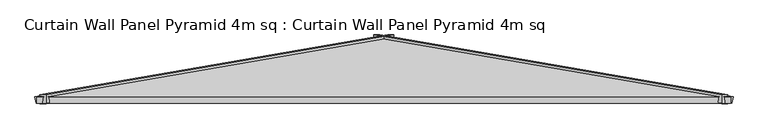
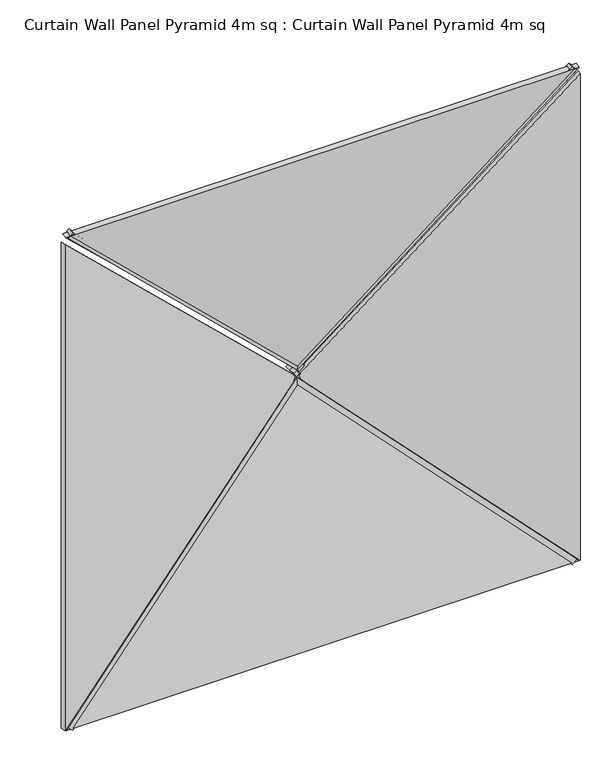
"""IFC4 building model written with IfcOpenShell, lengths in millimetres: plate geometry, Curtain Wall Panel Pyramid 4m sq : Curtain Wall Panel Pyramid 4m sq."""

import ifcopenshell
import ifcopenshell.guid

model = None  # the IFC model being written
_history = None  # IfcOwnerHistory: only IFC2X3 demands one
_inside = {}  # id of a spatial element -> (the spatial element, [elements in it])
_under = {}  # id of a project, library or spatial element -> (it, [spatial elements below it])
_declared = {}  # id of a project -> (the project, [libraries it declares])
_typed = {}  # id of a type object -> (the type object, [elements of that type])
_made_of = {}  # id of a material, layer set ... -> (it, [elements and type objects made of it])


def new_model(schema):
    """Start an empty IFC model of exactly this schema.

    Asked for "IFC4X3", IfcOpenShell would pick the latest addendum, in which some entities
    have other attributes; the version numbers below select the first issue.
    IFC2X3 requires an IfcOwnerHistory on every rooted entity: one is made here for all.
    """
    global model, _history
    if schema == "IFC4X3":
        model = ifcopenshell.file(schema_version=(4, 3, 0, 0))
    else:
        model = ifcopenshell.file(schema=schema)
    _inside.clear()
    _under.clear()
    _declared.clear()
    _typed.clear()
    _made_of.clear()
    _history = None
    if model.schema == "IFC2X3":
        org = make("IfcOrganization", Name="unknown")
        user = make(
            "IfcPersonAndOrganization",
            ThePerson=make("IfcPerson", FamilyName="unknown"),
            TheOrganization=org,
        )
        app = make(
            "IfcApplication",
            ApplicationDeveloper=org,
            Version="unknown",
            ApplicationFullName="unknown",
            ApplicationIdentifier="unknown",
        )
        _history = make(
            "IfcOwnerHistory",
            OwningUser=user,
            OwningApplication=app,
            ChangeAction="ADDED",
            CreationDate=0,
        )
    return model


def make(cls, **values):
    """One entity of the class cls with the attributes given. An attribute that is None is left unset."""
    return model.create_entity(
        cls, **{name: value for name, value in values.items() if value is not None}
    )


def rooted(cls, **values):
    """An entity with a GlobalId (a new one), such as an element, a storey or a relation."""
    return make(cls, GlobalId=ifcopenshell.guid.new(), OwnerHistory=_history, **values)


def si_unit(unit_type, name, prefix=None):
    """IfcSIUnit, for example si_unit("LENGTHUNIT", "METRE", prefix="MILLI")."""
    return make("IfcSIUnit", UnitType=unit_type, Prefix=prefix, Name=name)


def assignment(units):
    """IfcUnitAssignment: the units of a project."""
    return None if units is None else make("IfcUnitAssignment", Units=units)


def point(xyz):
    """IfcCartesianPoint."""
    return None if xyz is None else make("IfcCartesianPoint", Coordinates=xyz)


def direction(xyz):
    """IfcDirection."""
    return None if xyz is None else make("IfcDirection", DirectionRatios=xyz)


def frame(location, z_axis=None, x_axis=None):
    """IfcAxis2Placement3D, a coordinate frame: its origin and axes. An axis left out is left unset."""
    return make(
        "IfcAxis2Placement3D",
        Location=point(location),
        Axis=direction(z_axis),
        RefDirection=direction(x_axis),
    )


def origin():
    """The frame at (0, 0, 0) with its axes left unset."""
    return frame((0.0, 0.0, 0.0))


def place(relative_to, where):
    """IfcLocalPlacement: puts the frame where relative to a parent placement (None: the world)."""
    return make(
        "IfcLocalPlacement", PlacementRelTo=relative_to, RelativePlacement=where
    )


def context(
    kind, dimensions, precision=None, world=None, true_north=None, identifier=None
):
    """IfcGeometricRepresentationContext, for example the 3D "Model" context."""
    return make(
        "IfcGeometricRepresentationContext",
        ContextIdentifier=identifier,
        ContextType=kind,
        CoordinateSpaceDimension=dimensions,
        Precision=precision,
        WorldCoordinateSystem=world,
        TrueNorth=true_north,
    )


def project(units=None, contexts=None):
    """IfcProject with its units and contexts."""
    return rooted(
        "IfcProject",
        Name="project",
        RepresentationContexts=contexts,
        UnitsInContext=assignment(units),
    )


def spatial(cls, under=None, at=None, **own):
    """A site, building, storey or space (cls), placed at a placement, below another one or the project."""
    s = rooted(cls, ObjectPlacement=at, **own)
    if under is not None:
        _under.setdefault(under.id(), (under, []))[1].append(s)
    return s


def polyline(points):
    """IfcPolyline through the points."""
    return make("IfcPolyline", Points=[point(p) for p in points])


def outline(outer, holes=None, kind="AREA"):
    """IfcArbitraryClosedProfileDef: a profile drawn as a closed curve; with holes, ...WithVoids."""
    if holes is None:
        return make("IfcArbitraryClosedProfileDef", ProfileType=kind, OuterCurve=outer)
    return make(
        "IfcArbitraryProfileDefWithVoids",
        ProfileType=kind,
        OuterCurve=outer,
        InnerCurves=holes,
    )


def extrude(swept, where, along, depth):
    """IfcExtrudedAreaSolid: the profile swept, set in the frame where, extruded along a direction by depth."""
    return make(
        "IfcExtrudedAreaSolid",
        SweptArea=swept,
        Position=where,
        ExtrudedDirection=direction(along),
        Depth=depth,
    )


def shape(context_of_items, identifier, shape_type, items):
    """IfcShapeRepresentation: the items that make up one representation, for example the "Body"."""
    return make(
        "IfcShapeRepresentation",
        ContextOfItems=context_of_items,
        RepresentationIdentifier=identifier,
        RepresentationType=shape_type,
        Items=items,
    )


def source(mapping_origin, context_of_items, identifier, shape_type, items):
    """IfcRepresentationMap: a shape defined once, which mapped items show again and again."""
    return make(
        "IfcRepresentationMap",
        MappingOrigin=mapping_origin,
        MappedRepresentation=shape(context_of_items, identifier, shape_type, items),
    )


def transform(
    local_origin,
    x_axis=None,
    y_axis=None,
    z_axis=None,
    scale=None,
    scale2=None,
    scale3=None,
    uniform=True,
):
    """IfcCartesianTransformationOperator3D, or its non-uniform kind. x_axis, y_axis, z_axis: its Axis1, 2, 3."""
    if uniform:
        return make(
            "IfcCartesianTransformationOperator3D",
            Axis1=direction(x_axis),
            Axis2=direction(y_axis),
            LocalOrigin=point(local_origin),
            Scale=scale,
            Axis3=direction(z_axis),
        )
    return make(
        "IfcCartesianTransformationOperator3DnonUniform",
        Axis1=direction(x_axis),
        Axis2=direction(y_axis),
        LocalOrigin=point(local_origin),
        Scale=scale,
        Axis3=direction(z_axis),
        Scale2=scale2,
        Scale3=scale3,
    )


def mapped(mapping_source, mapping_target):
    """IfcMappedItem: shows the shape of a source again, moved by a transform."""
    return make(
        "IfcMappedItem", MappingSource=mapping_source, MappingTarget=mapping_target
    )


def made_of(thing, what):
    """Note that an element or type object is made of a material, layer set ...; save() writes the relation."""
    if what is not None:
        _made_of.setdefault(what.id(), (what, []))[1].append(thing)
    return thing


def element(
    cls,
    number,
    at=None,
    inside=None,
    cuts=None,
    type_object=None,
    material=None,
    context=None,
    identifier="Body",
    shape_type=None,
    held_by="IfcProductDefinitionShape",
    body=None,
    shapes=None,
    **own,
):
    """One element of the class cls, such as IfcWall. Its Tag is "e" and its number.

    at: its placement. inside: the storey or other place that contains it. cuts: it is an
    opening in that element (IfcRelVoidsElement). A single representation is given by context,
    identifier, shape_type and body (its items); several are given by shapes. held_by: the class
    of the entity that holds the representations. save() writes the other relations.
    """
    e = rooted(cls, Tag="e%d" % number, ObjectPlacement=at, **own)
    if body is not None:
        shapes = [shape(context, identifier, shape_type, body)]
    if shapes is not None:
        e.Representation = make(held_by, Representations=shapes)
    if inside is not None:
        _inside.setdefault(inside.id(), (inside, []))[1].append(e)
    if cuts is not None:
        rooted(
            "IfcRelVoidsElement", RelatingBuildingElement=cuts, RelatedOpeningElement=e
        )
    if type_object is not None:
        _typed.setdefault(type_object.id(), (type_object, []))[1].append(e)
    return made_of(e, material)


def aggregate(whole, parts):
    """IfcRelAggregates: a whole, such as a stair, and the parts it consists of."""
    return rooted("IfcRelAggregates", RelatingObject=whole, RelatedObjects=parts)


def save(model, path):
    """Write the relations noted so far, then the file.

    IfcRelAggregates (storeys below a building ...), IfcRelContainedInSpatialStructure (elements
    in a storey), IfcRelDefinesByType, IfcRelAssociatesMaterial and IfcRelDeclares: one each for
    every whole, place, type object, material and project.
    """
    for whole, parts in _under.values():
        aggregate(whole, parts)
    for where, things in _inside.values():
        rooted(
            "IfcRelContainedInSpatialStructure",
            RelatedElements=things,
            RelatingStructure=where,
        )
    for kind, things in _typed.values():
        rooted("IfcRelDefinesByType", RelatedObjects=things, RelatingType=kind)
    for what, things in _made_of.values():
        rooted("IfcRelAssociatesMaterial", RelatedObjects=things, RelatingMaterial=what)
    for by, libraries in _declared.values():
        rooted("IfcRelDeclares", RelatingContext=by, RelatedDefinitions=libraries)
    model.write(path)


def curtain_wall_panel_pyramid_4m_sq_curtain_wall_panel_pyramid_84269947(model_context):
    return source(origin(), model_context, "Body", "SweptSolid", [
        extrude(outline(polyline([(-25.0, 0.0), (25.0, 0.0), (-319.5008531, -2828.2124727), (-369.5008531, -2828.2124727), (-25.0, 0.0)])), frame((1942.3223305, 25.0, -17.6776695), z_axis=(0.7071067811865489, 0.0, 0.7071067811865461), x_axis=(0.0, -1.0, 0.0)), (0.0, 0.0, 1.0), 50.0),
        extrude(outline(polyline([(-25.0, 0.0), (25.0, 0.0), (369.5008531, -2828.2124727), (319.5008531, -2828.2124727), (-25.0, 0.0)])), frame((-1942.3223305, 25.0, -17.6776695), z_axis=(-0.7071067811865475, 0.0, 0.7071067811865477), x_axis=(0.0, 1.0, 0.0)), (0.0, 0.0, 1.0), 50.0),
        extrude(outline(polyline([(-25.0, 0.0), (25.0, 0.0), (369.5008531, -2828.2124727), (319.5008531, -2828.2124727), (-25.0, 0.0)])), frame((-1977.6776695, 25.0, 4032.3223305), z_axis=(0.7071067811865489, 0.0, 0.7071067811865462), x_axis=(0.0, 1.0, 0.0)), (0.0, 0.0, 1.0), 50.0),
        extrude(outline(polyline([(-25.0, 0.0), (25.0, 0.0), (-319.5008531, -2828.2124727), (-369.5008531, -2828.2124727), (-25.0, 0.0)])), frame((1977.6776695, 25.0, 4032.3223305), z_axis=(-0.7071067811865472, 0.0, 0.7071067811865479), x_axis=(0.0, -1.0, 0.0)), (0.0, 0.0, 1.0), 50.0),
        extrude(outline(polyline([(1993.2098768, -1014.7271131), (-2.1709376, 1016.8143409), (3988.5906912, 1016.8143409), (1993.2098768, -1014.7271131)])), frame((1000.0, 172.8335872, 0.0), z_axis=(0.16975307948003834, 0.9854866270056859, 0.0), x_axis=(0.0, 0.0, 1.0)), (0.0, 0.0, 1.0), 40.0),
        extrude(outline(polyline([(0.0, -1014.7271131), (-1991.3928218, 1012.7540773), (1991.3928218, 1012.7540773), (0.0, -1014.7271131)])), frame((0.0, 212.2530523, 986.4197536), z_axis=(0.0, -0.9854866270056859, 0.16975307948003834), x_axis=(-1.0, 0.0, 0.0)), (0.0, 0.0, 1.0), 40.0),
        extrude(outline(polyline([(1993.2098768, 1014.7271131), (3986.6374086, -1014.8256606), (-0.217655, -1014.8256606), (1993.2098768, 1014.7271131)])), frame((-1000.0, 172.8335872, 0.0), z_axis=(-0.16975307948003834, 0.9854866270056859, 0.0), x_axis=(0.0, 0.0, 1.0)), (0.0, 0.0, 1.0), 40.0),
        extrude(outline(polyline([(1996.304868, -1017.8221042), (-1996.2959025, -1017.8221042), (2.4233431, 976.0594205), (1996.304868, -1017.8221042)])), frame((0.0, 172.8335872, 3043.2098768), z_axis=(0.0, 0.9854866270056859, 0.16975307948003832), x_axis=(1.0, 0.0, 0.0)), (0.0, 0.0, 1.0), 40.0),
    ])


if __name__ == "__main__":
    model = new_model("IFC4")
    model_context = context("Model", 3, world=origin())
    ifc_project = project(units=[si_unit("LENGTHUNIT", "METRE", prefix="MILLI")], contexts=[model_context])
    site = spatial("IfcSite", under=ifc_project)
    building = spatial("IfcBuilding", under=site)
    placement = place(None, origin())
    curtain_wall_panel_pyramid_4m_sq_curtain_wall_panel_pyramid_shape = curtain_wall_panel_pyramid_4m_sq_curtain_wall_panel_pyramid_84269947(model_context)
    element("IfcPlate", 1, ObjectType="Curtain Wall Panel Pyramid 4m sq : Curtain Wall Panel Pyramid 4m sq", at=placement, inside=building, context=model_context, shape_type="MappedRepresentation", body=[
        mapped(curtain_wall_panel_pyramid_4m_sq_curtain_wall_panel_pyramid_shape, transform((0.0, 0.0, 0.0), x_axis=(1.0, 0.0, 0.0), y_axis=(0.0, 1.0, 0.0), z_axis=(0.0, 0.0, 1.0))),
    ])
    save(model, "model.ifc")
